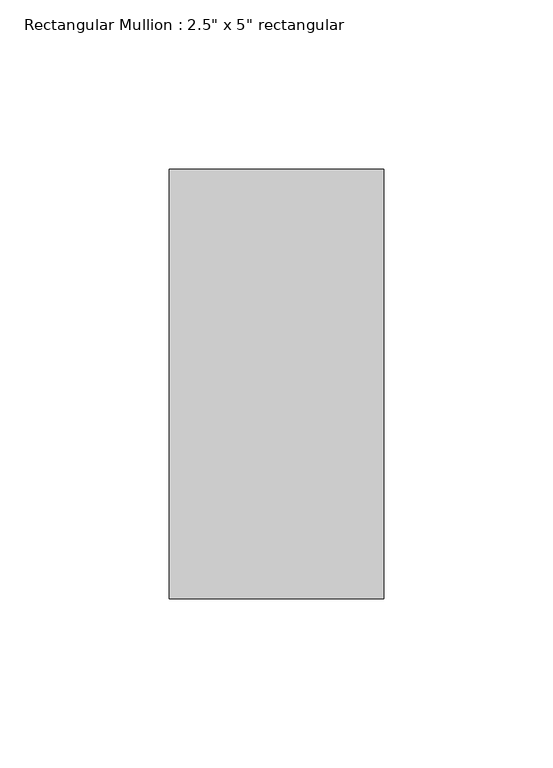
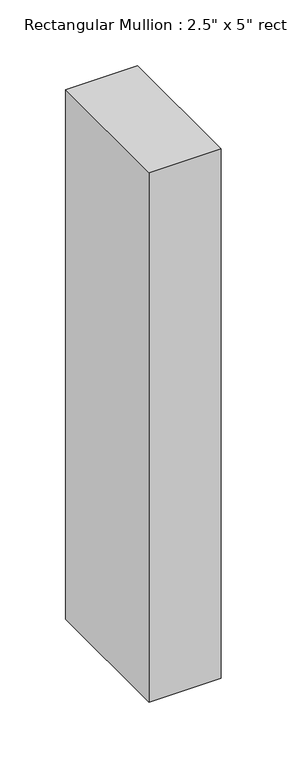
"""IFC4 building model written with IfcOpenShell, lengths in millimetres: member geometry."""

from ifc_helpers import new_model, si_unit, frame, origin, place, context, project, spatial, polyline, outline, extrude, source, transform, mapped, element, save


def member_fa02c8a1(model_context):
    return source(origin(), model_context, "Body", "SweptSolid", [
        extrude(outline(polyline([(0.0, 63.5), (0.0, -63.5), (-63.5, -63.5), (-63.5, 63.5), (0.0, 63.5)])), frame((0.0, 0.0, -492.05), z_axis=(0.0, 0.0, 1.0), x_axis=(1.0, 0.0, 0.0)), (0.0, 0.0, 1.0), 492.05),
    ])


if __name__ == "__main__":
    model = new_model("IFC4")
    model_context = context("Model", 3, world=origin())
    ifc_project = project(units=[si_unit("LENGTHUNIT", "METRE", prefix="MILLI")], contexts=[model_context])
    site = spatial("IfcSite", under=ifc_project)
    building = spatial("IfcBuilding", under=site)
    placement = place(None, origin())
    member_shape = member_fa02c8a1(model_context)
    element("IfcMember", 1, ObjectType="Rectangular Mullion : 2.5\" x 5\" rectangular", at=placement, inside=building, context=model_context, shape_type="MappedRepresentation", body=[
        mapped(member_shape, transform((0.0, 0.0, 0.0), x_axis=(1.0, 0.0, 0.0), y_axis=(0.0, 1.0, 0.0), z_axis=(0.0, 0.0, 1.0))),
    ])
    save(model, "model.ifc")
